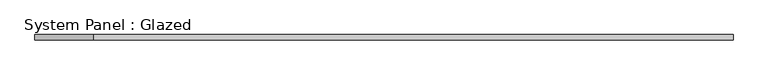
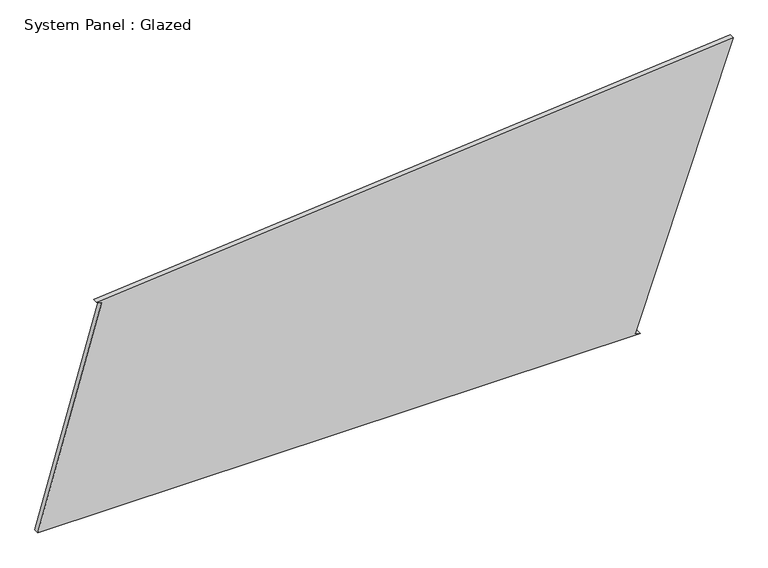
"""IFC4 building model written with IfcOpenShell, lengths in millimetres: plate geometry, System Panel : Glazed."""

from ifc_helpers import new_model, si_unit, frame, origin, place, context, project, spatial, polyline, outline, extrude, source, transform, mapped, element, save


def system_panel_glazed_b6bb8238(model_context):
    return source(origin(), model_context, "Body", "SweptSolid", [
        extrude(outline(polyline([(0.0, -1655.4020029), (0.0, 1214.14832), (8.2694295, 1190.555598), (1334.4784524, 1655.4020029), (1061.1913223, -1375.5700398), (1054.2678085, -1351.5478634), (0.0, -1655.4020029)])), frame((0.0, -49.5, 0.0), z_axis=(0.0, 1.0, 0.0), x_axis=(0.0, 0.0, 1.0)), (0.0, 0.0, 1.0), 25.0),
    ])


if __name__ == "__main__":
    model = new_model("IFC4")
    model_context = context("Model", 3, world=origin())
    ifc_project = project(units=[si_unit("LENGTHUNIT", "METRE", prefix="MILLI")], contexts=[model_context])
    site = spatial("IfcSite", under=ifc_project)
    building = spatial("IfcBuilding", under=site)
    placement = place(None, origin())
    system_panel_glazed_shape = system_panel_glazed_b6bb8238(model_context)
    element("IfcPlate", 1, ObjectType="System Panel : Glazed", at=placement, inside=building, context=model_context, shape_type="MappedRepresentation", body=[
        mapped(system_panel_glazed_shape, transform((0.0, 0.0, 0.0), x_axis=(1.0, 0.0, 0.0), y_axis=(0.0, 1.0, 0.0), z_axis=(0.0, 0.0, 1.0))),
    ])
    save(model, "model.ifc")
